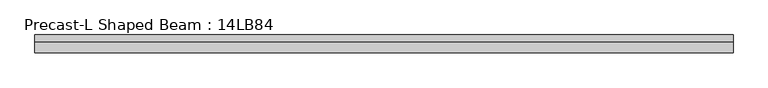
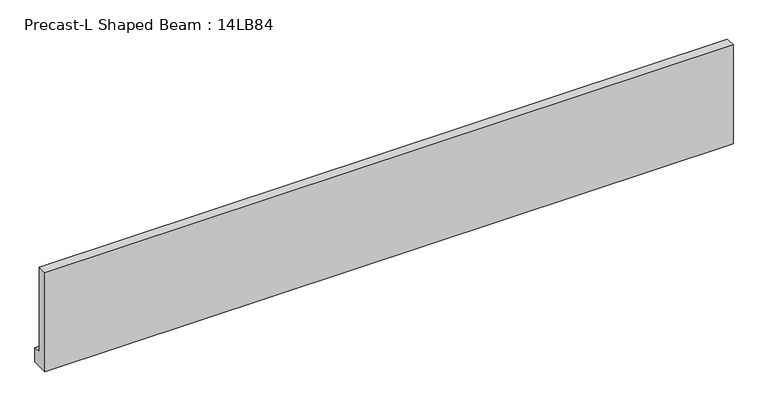
"""IFC4 building model written with IfcOpenShell, lengths in millimetres: beam geometry, Precast-L Shaped Beam : 14LB84."""

from ifc_helpers import new_model, si_unit, frame, origin, place, context, project, spatial, polyline, outline, extrude, source, transform, mapped, element, save


def precast_l_shaped_beam_14lb84_c9de161a(model_context):
    return source(origin(), model_context, "Body", "SweptSolid", [
        extrude(outline(polyline([(-177.8, -1066.8), (-177.8, 1066.8), (25.4, 1066.8), (25.4, -762.0), (177.8, -762.0), (177.8, -1066.8), (-177.8, -1066.8)])), frame((-6858.0, 0.0, 0.0), z_axis=(1.0, 0.0, 0.0), x_axis=(0.0, 1.0, 0.0)), (0.0, 0.0, 1.0), 14020.8),
    ])


if __name__ == "__main__":
    model = new_model("IFC4")
    model_context = context("Model", 3, world=origin())
    ifc_project = project(units=[si_unit("LENGTHUNIT", "METRE", prefix="MILLI")], contexts=[model_context])
    site = spatial("IfcSite", under=ifc_project)
    building = spatial("IfcBuilding", under=site)
    placement = place(None, origin())
    precast_l_shaped_beam_14lb84_shape = precast_l_shaped_beam_14lb84_c9de161a(model_context)
    element("IfcBeam", 1, ObjectType="Precast-L Shaped Beam : 14LB84", at=placement, inside=building, context=model_context, shape_type="MappedRepresentation", body=[
        mapped(precast_l_shaped_beam_14lb84_shape, transform((0.0, 0.0, 0.0), x_axis=(1.0, 0.0, 0.0), y_axis=(0.0, 1.0, 0.0), z_axis=(0.0, 0.0, 1.0))),
    ])
    save(model, "model.ifc")
